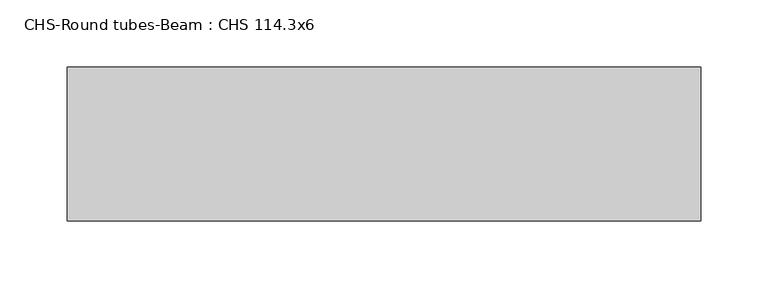
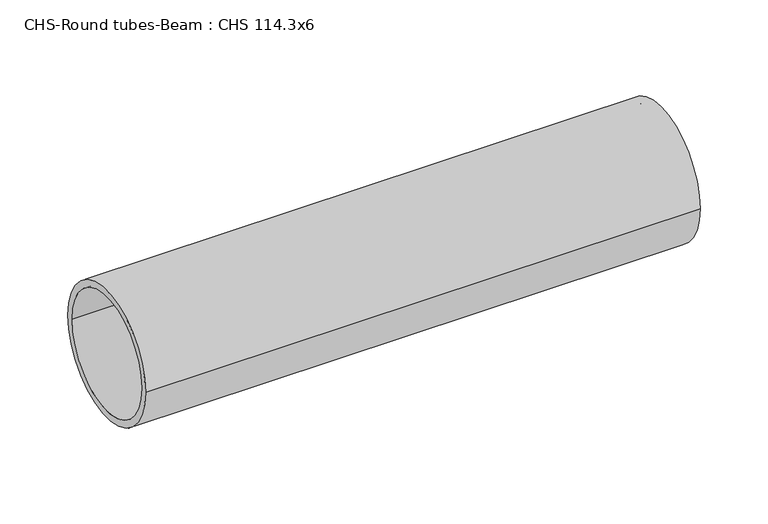
"""IFC4 building model written with IfcOpenShell, lengths in millimetres: beam geometry, CHS-Round tubes-Beam : CHS 114.3x6."""

from ifc_helpers import new_model, si_unit, point, frame, origin, origin_2d, place, context, project, spatial, circle_curve, trimmed, segment, composite_curve, outline, extrude, source, transform, mapped, element, save


def chs_round_tubes_beam_chs_114_3x6_1e70d787(model_context):
    return source(origin(), model_context, "Body", "SweptSolid", [
        extrude(outline(composite_curve([segment(trimmed(circle_curve(origin_2d(), 57.15), [point((57.15, 0.0))], [point((-57.15, 0.0))], False, "CARTESIAN"), True, "CONTINUOUS"), segment(trimmed(circle_curve(origin_2d(), 57.15), [point((-57.15, 0.0))], [point((57.15, 0.0))], False, "CARTESIAN"), True, "CONTINUOUS")], self_intersect=False), holes=[composite_curve([segment(trimmed(circle_curve(origin_2d(), 51.15), [point((51.15, 0.0))], [point((-51.15, 0.0))], True, "CARTESIAN"), True, "CONTINUOUS"), segment(trimmed(circle_curve(origin_2d(), 51.15), [point((-51.15, 0.0))], [point((51.15, 0.0))], True, "CARTESIAN"), True, "CONTINUOUS")], self_intersect=False)]), frame((-212.6143066, 0.0, 0.0), z_axis=(1.0, 0.0, 0.0), x_axis=(0.0, 1.0, 0.0)), (0.0, 0.0, 1.0), 470.9725843),
    ])


if __name__ == "__main__":
    model = new_model("IFC4")
    model_context = context("Model", 3, world=origin())
    ifc_project = project(units=[si_unit("LENGTHUNIT", "METRE", prefix="MILLI")], contexts=[model_context])
    site = spatial("IfcSite", under=ifc_project)
    building = spatial("IfcBuilding", under=site)
    placement = place(None, origin())
    chs_round_tubes_beam_chs_114_3x6_shape = chs_round_tubes_beam_chs_114_3x6_1e70d787(model_context)
    element("IfcBeam", 1, ObjectType="CHS-Round tubes-Beam : CHS 114.3x6", at=placement, inside=building, context=model_context, shape_type="MappedRepresentation", body=[
        mapped(chs_round_tubes_beam_chs_114_3x6_shape, transform((0.0, 0.0, 0.0), x_axis=(1.0, 0.0, 0.0), y_axis=(0.0, 1.0, 0.0), z_axis=(0.0, 0.0, 1.0))),
    ])
    save(model, "model.ifc")
